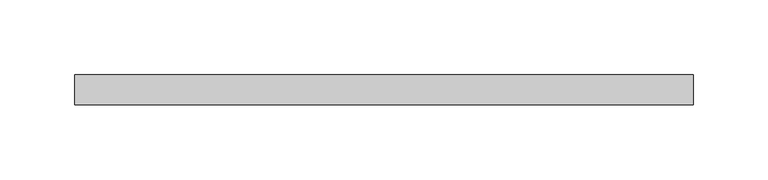
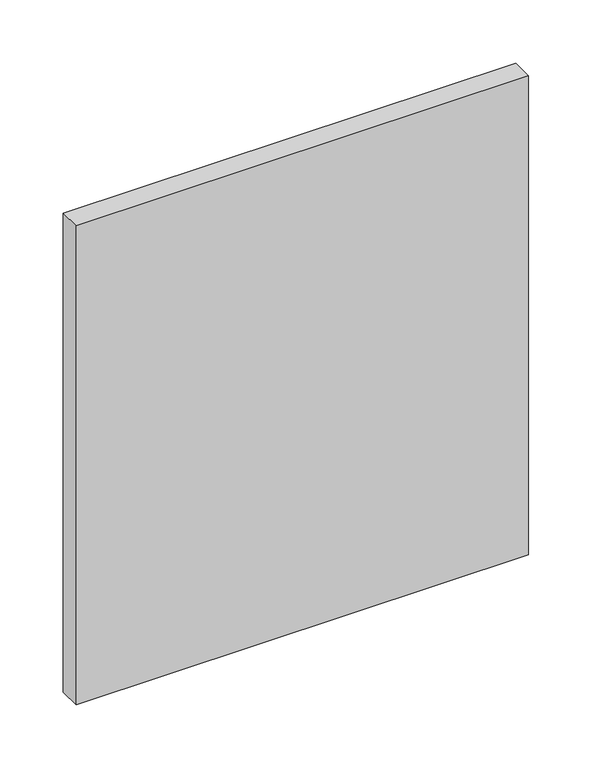
"""IFC4 building model written with IfcOpenShell, lengths in millimetres: plate geometry."""

from ifc_helpers import new_model, si_unit, origin, origin_with_axes, place, context, project, spatial, polyline, outline, extrude, source, transform, mapped, element, save


def plate_fec8ac9e(model_context):
    return source(origin(), model_context, "Body", "SweptSolid", [
        extrude(outline(polyline([(206.25, 70.0), (-206.25, 70.0), (-206.25, 90.0), (206.25, 90.0), (206.25, 70.0)])), origin_with_axes(), (0.0, 0.0, 1.0), 461.0),
    ])


if __name__ == "__main__":
    model = new_model("IFC4")
    model_context = context("Model", 3, world=origin())
    ifc_project = project(units=[si_unit("LENGTHUNIT", "METRE", prefix="MILLI")], contexts=[model_context])
    site = spatial("IfcSite", under=ifc_project)
    building = spatial("IfcBuilding", under=site)
    placement = place(None, origin())
    plate_shape = plate_fec8ac9e(model_context)
    element("IfcPlate", 1, at=placement, inside=building, context=model_context, shape_type="MappedRepresentation", body=[
        mapped(plate_shape, transform((0.0, 0.0, 0.0), x_axis=(1.0, 0.0, 0.0), y_axis=(0.0, 1.0, 0.0), z_axis=(0.0, 0.0, 1.0))),
    ])
    save(model, "model.ifc")
